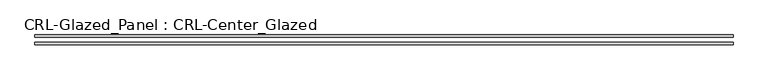
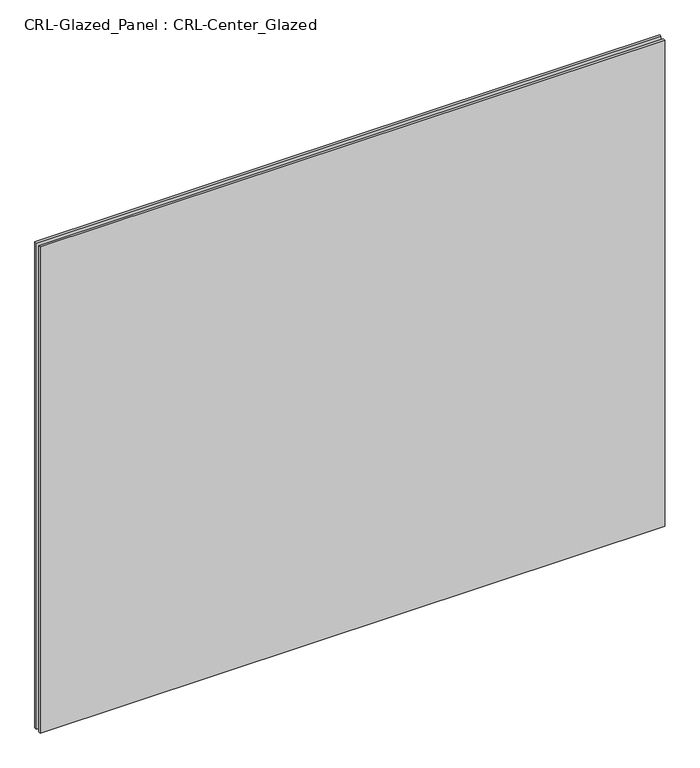
"""IFC4 building model written with IfcOpenShell, lengths in millimetres: plate geometry, CRL-Glazed_Panel : CRL-Center_Glazed."""

from ifc_helpers import new_model, si_unit, origin, origin_with_axes, place, context, project, spatial, polyline, outline, extrude, source, transform, mapped, element, save


def crl_glazed_panel_crl_center_glazed_390e7e61(model_context):
    return source(origin(), model_context, "Body", "SweptSolid", [
        extrude(outline(polyline([(887.4125, 12.7), (887.4125, 6.35), (-887.4125, 6.35), (-887.4125, 12.7), (887.4125, 12.7)])), origin_with_axes(), (0.0, 0.0, 1.0), 1460.5000297),
        extrude(outline(polyline([(-887.4125, -6.35), (887.4125, -6.35), (887.4125, -12.7), (-887.4125, -12.7), (-887.4125, -6.35)])), origin_with_axes(), (0.0, 0.0, 1.0), 1460.5000297),
    ])


if __name__ == "__main__":
    model = new_model("IFC4")
    model_context = context("Model", 3, world=origin())
    ifc_project = project(units=[si_unit("LENGTHUNIT", "METRE", prefix="MILLI")], contexts=[model_context])
    site = spatial("IfcSite", under=ifc_project)
    building = spatial("IfcBuilding", under=site)
    placement = place(None, origin())
    crl_glazed_panel_crl_center_glazed_shape = crl_glazed_panel_crl_center_glazed_390e7e61(model_context)
    element("IfcPlate", 1, ObjectType="CRL-Glazed_Panel : CRL-Center_Glazed", at=placement, inside=building, context=model_context, shape_type="MappedRepresentation", body=[
        mapped(crl_glazed_panel_crl_center_glazed_shape, transform((0.0, 0.0, 0.0), x_axis=(1.0, 0.0, 0.0), y_axis=(0.0, 1.0, 0.0), z_axis=(0.0, 0.0, 1.0))),
    ])
    save(model, "model.ifc")
